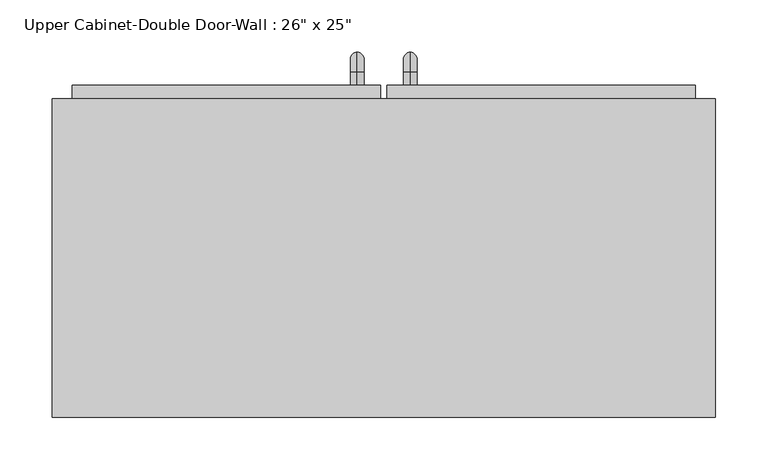
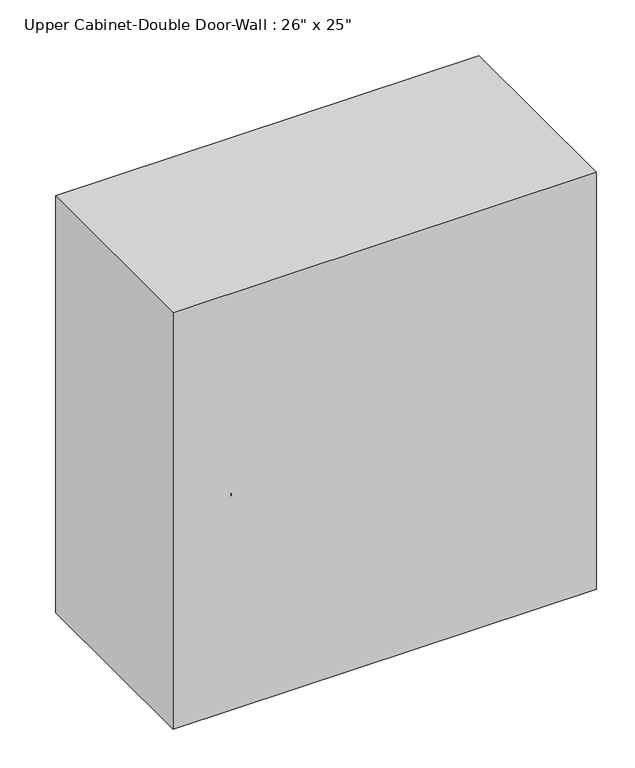
"""IFC4 building model written with IfcOpenShell, lengths in millimetres: furniture geometry."""

from ifc_helpers import new_model, si_unit, point, frame, origin, place, context, project, spatial, polyline, circle_curve, ellipse_curve, trimmed, outline, extrude, faceted_brep, source, transform, mapped, element, save
from ifc_brep_helpers import plane_surface, cylinder_surface, revolved_surface, advanced_brep


def furniture_fc65ddd6(model_context):
    return source(origin(), model_context, "Body", "SolidModel", [
        faceted_brep([(-287.7288372, 61.9125, 2133.6), (-287.7288372, 61.9125, 1473.2), (347.2711628, 61.9125, 1473.2), (347.2711628, 61.9125, 2133.6), (-287.7288372, 366.7125, 2133.6), (347.2711628, 366.7125, 2133.6), (347.2711628, 366.7125, 1473.2), (-287.7288372, 366.7125, 1473.2), (-268.6788372, 366.7125, 2114.55), (-268.6788372, 366.7125, 1492.25), (328.2211628, 366.7125, 1492.25), (328.2211628, 366.7125, 2114.55), (328.2211628, 80.9625, 2114.55), (-268.6788372, 80.9625, 2114.55), (328.2211628, 80.9625, 1492.25), (-268.6788372, 80.9625, 1492.25)], [[[0, 1, 2, 3]], [[4, 5, 6, 7], [8, 9, 10, 11]], [[1, 0, 4, 7]], [[2, 1, 7, 6]], [[3, 2, 6, 5]], [[0, 3, 5, 4]], [[8, 11, 12, 13]], [[11, 10, 14, 12]], [[10, 9, 15, 14]], [[9, 8, 13, 15]], [[13, 12, 14, 15]]]),
        advanced_brep(
        [(55.1711628, 379.4125, 1619.25), (55.1711628, 379.4125, 1631.95), (55.1711628, 392.1125, 1619.25), (55.1711628, 392.1125, 1631.95), (55.1711628, 411.1625, 1612.9), (55.1711628, 398.4625, 1612.9), (55.1711628, 398.4625, 1536.7), (55.1711628, 411.1625, 1536.7), (55.1711628, 392.1125, 1517.65), (55.1711628, 392.1125, 1530.35), (55.1711628, 379.4125, 1530.35), (55.1711628, 379.4125, 1517.65)],
        [
            (0, 1, circle_curve(frame((55.1711628, 379.4125, 1625.6), z_axis=(0.0, -1.0, 0.0), x_axis=(0.0, 0.0, -1.0)), 6.35)),
            (1, 0, circle_curve(frame((55.1711628, 379.4125, 1625.6), z_axis=(0.0, -1.0, 0.0), x_axis=(0.0, 0.0, -1.0)), 6.35)),
            (0, 2),
            (2, 3, circle_curve(frame((55.1711628, 392.1125, 1625.6), z_axis=(0.0, -1.0, 0.0), x_axis=(0.0, 0.0, -1.0)), 6.35)),
            (3, 1),
            (3, 2, circle_curve(frame((55.1711628, 392.1125, 1625.6), z_axis=(0.0, -1.0, 0.0), x_axis=(0.0, 0.0, -1.0)), 6.35)),
            (4, 3, circle_curve(frame((55.1711628, 392.1125, 1612.9), z_axis=(1.0, 0.0, 0.0), x_axis=(0.0, 0.0, 1.0)), 19.05)),
            (2, 5, circle_curve(frame((55.1711628, 392.1125, 1612.9), z_axis=(-1.0, 0.0, 0.0), x_axis=(0.0, 0.0, 1.0)), 6.35)),
            (5, 4, circle_curve(frame((55.1711628, 404.8125, 1612.9), z_axis=(0.0, 0.0, 1.0), x_axis=(0.0, -1.0, 0.0)), 6.35)),
            (4, 5, circle_curve(frame((55.1711628, 404.8125, 1612.9), z_axis=(0.0, 0.0, 1.0), x_axis=(0.0, -1.0, 0.0)), 6.35)),
            (5, 6),
            (6, 7, circle_curve(frame((55.1711628, 404.8125, 1536.7), z_axis=(0.0, 0.0, 1.0), x_axis=(0.0, -1.0, 0.0)), 6.35)),
            (7, 4),
            (7, 6, circle_curve(frame((55.1711628, 404.8125, 1536.7), z_axis=(0.0, 0.0, 1.0), x_axis=(0.0, -1.0, 0.0)), 6.35)),
            (8, 7, circle_curve(frame((55.1711628, 392.1125, 1536.7), z_axis=(1.0, 0.0, 0.0), x_axis=(0.0, 1.0, 0.0)), 19.05)),
            (6, 9, circle_curve(frame((55.1711628, 392.1125, 1536.7), z_axis=(-1.0, 0.0, 0.0), x_axis=(0.0, 1.0, 0.0)), 6.35)),
            (9, 8, circle_curve(frame((55.1711628, 392.1125, 1524.0), z_axis=(0.0, 1.0, 0.0), x_axis=(0.0, 0.0, 1.0)), 6.35)),
            (8, 9, circle_curve(frame((55.1711628, 392.1125, 1524.0), z_axis=(0.0, 1.0, 0.0), x_axis=(0.0, 0.0, 1.0)), 6.35)),
            (10, 11, circle_curve(frame((55.1711628, 379.4125, 1524.0), z_axis=(0.0, -1.0, 0.0), x_axis=(0.0, 0.0, 1.0)), 6.35)),
            (11, 10, circle_curve(frame((55.1711628, 379.4125, 1524.0), z_axis=(0.0, -1.0, 0.0), x_axis=(0.0, 0.0, 1.0)), 6.35)),
            (9, 10),
            (11, 8),
        ],
        [
            plane_surface(frame((48.8211628, 379.4125, 1625.6), z_axis=(0.0, -1.0, 0.0), x_axis=(0.0, 0.0, 1.0))),
            cylinder_surface(frame((55.1711628, 379.4125, 1625.6), z_axis=(0.0, -1.0, 0.0), x_axis=(0.0, 0.0, -1.0)), 6.35),
            revolved_surface(trimmed(ellipse_curve(frame((55.1711628, 392.1125, 1625.6), z_axis=(0.0, -1.0, 0.0), x_axis=(0.0, 0.0, -1.0)), 6.35, 6.35), [point((55.1711628, 392.1125, 1619.25))], [point((55.1711628, 392.1125, 1631.95))], True, "CARTESIAN"), (55.1711628, 392.1125, 1612.9), (-1.0, 0.0, 0.0)),
            revolved_surface(trimmed(ellipse_curve(frame((55.1711628, 392.1125, 1625.6), z_axis=(0.0, -1.0, 0.0), x_axis=(0.0, 0.0, -1.0)), 6.35, 6.35), [point((55.1711628, 392.1125, 1631.95))], [point((55.1711628, 392.1125, 1619.25))], True, "CARTESIAN"), (55.1711628, 392.1125, 1612.9), (-1.0, 0.0, 0.0)),
            cylinder_surface(frame((55.1711628, 404.8125, 1612.9), z_axis=(0.0, 0.0, 1.0), x_axis=(0.0, -1.0, 0.0)), 6.35),
            revolved_surface(trimmed(ellipse_curve(frame((55.1711628, 404.8125, 1536.7), z_axis=(0.0, 0.0, 1.0), x_axis=(0.0, -1.0, 0.0)), 6.35, 6.35), [point((55.1711628, 398.4625, 1536.7))], [point((55.1711628, 411.1625, 1536.7))], True, "CARTESIAN"), (55.1711628, 392.1125, 1536.7), (-1.0, 0.0, 0.0)),
            revolved_surface(trimmed(ellipse_curve(frame((55.1711628, 404.8125, 1536.7), z_axis=(0.0, 0.0, 1.0), x_axis=(0.0, -1.0, 0.0)), 6.35, 6.35), [point((55.1711628, 411.1625, 1536.7))], [point((55.1711628, 398.4625, 1536.7))], True, "CARTESIAN"), (55.1711628, 392.1125, 1536.7), (-1.0, 0.0, 0.0)),
            plane_surface(frame((48.8211628, 379.4125, 1524.0), z_axis=(0.0, -1.0, 0.0), x_axis=(0.0, 0.0, -1.0))),
            cylinder_surface(frame((55.1711628, 392.1125, 1524.0), z_axis=(0.0, 1.0, 0.0), x_axis=(0.0, 0.0, 1.0)), 6.35),
        ],
        [
            (0, [[1, 2]]),
            (1, [[-1, 3, 4, 5]]),
            (1, [[-2, -5, 6, -3]]),
            (2, [[7, -4, 8, 9]]),
            (3, [[-8, -6, -7, 10]]),
            (4, [[-9, 11, 12, 13]]),
            (4, [[-10, -13, 14, -11]]),
            (5, [[15, -12, 16, 17]]),
            (6, [[-16, -14, -15, 18]]),
            (7, [[19, 20]]),
            (8, [[-17, 21, -20, 22]]),
            (8, [[-18, -22, -19, -21]]),
        ],
    ),
        advanced_brep(
        [(4.3711628, 379.4125, 1619.25), (4.3711628, 379.4125, 1631.95), (4.3711628, 392.1125, 1619.25), (4.3711628, 392.1125, 1631.95), (4.3711628, 411.1625, 1612.9), (4.3711628, 398.4625, 1612.9), (4.3711628, 398.4625, 1536.7), (4.3711628, 411.1625, 1536.7), (4.3711628, 392.1125, 1517.65), (4.3711628, 392.1125, 1530.35), (4.3711628, 379.4125, 1530.35), (4.3711628, 379.4125, 1517.65)],
        [
            (0, 1, circle_curve(frame((4.3711628, 379.4125, 1625.6), z_axis=(0.0, -1.0, 0.0), x_axis=(0.0, 0.0, 1.0)), 6.35)),
            (1, 0, circle_curve(frame((4.3711628, 379.4125, 1625.6), z_axis=(0.0, -1.0, 0.0), x_axis=(0.0, 0.0, 1.0)), 6.35)),
            (0, 2),
            (2, 3, circle_curve(frame((4.3711628, 392.1125, 1625.6), z_axis=(0.0, -1.0, 0.0), x_axis=(0.0, 0.0, 1.0)), 6.35)),
            (3, 1),
            (3, 2, circle_curve(frame((4.3711628, 392.1125, 1625.6), z_axis=(0.0, -1.0, 0.0), x_axis=(0.0, 0.0, 1.0)), 6.35)),
            (4, 3, circle_curve(frame((4.3711628, 392.1125, 1612.9), z_axis=(1.0, 0.0, 0.0), x_axis=(0.0, 0.0, 1.0)), 19.05)),
            (2, 5, circle_curve(frame((4.3711628, 392.1125, 1612.9), z_axis=(-1.0, 0.0, 0.0), x_axis=(0.0, 0.0, 1.0)), 6.35)),
            (5, 4, circle_curve(frame((4.3711628, 404.8125, 1612.9), z_axis=(0.0, 0.0, 1.0), x_axis=(0.0, 1.0, 0.0)), 6.35)),
            (4, 5, circle_curve(frame((4.3711628, 404.8125, 1612.9), z_axis=(0.0, 0.0, 1.0), x_axis=(0.0, 1.0, 0.0)), 6.35)),
            (5, 6),
            (6, 7, circle_curve(frame((4.3711628, 404.8125, 1536.7), z_axis=(0.0, 0.0, 1.0), x_axis=(0.0, 1.0, 0.0)), 6.35)),
            (7, 4),
            (7, 6, circle_curve(frame((4.3711628, 404.8125, 1536.7), z_axis=(0.0, 0.0, 1.0), x_axis=(0.0, 1.0, 0.0)), 6.35)),
            (8, 7, circle_curve(frame((4.3711628, 392.1125, 1536.7), z_axis=(1.0, 0.0, 0.0), x_axis=(0.0, 1.0, 0.0)), 19.05)),
            (6, 9, circle_curve(frame((4.3711628, 392.1125, 1536.7), z_axis=(-1.0, 0.0, 0.0), x_axis=(0.0, 1.0, 0.0)), 6.35)),
            (9, 8, circle_curve(frame((4.3711628, 392.1125, 1524.0), z_axis=(0.0, 1.0, 0.0), x_axis=(0.0, 0.0, -1.0)), 6.35)),
            (8, 9, circle_curve(frame((4.3711628, 392.1125, 1524.0), z_axis=(0.0, 1.0, 0.0), x_axis=(0.0, 0.0, -1.0)), 6.35)),
            (10, 11, circle_curve(frame((4.3711628, 379.4125, 1524.0), z_axis=(0.0, -1.0, 0.0), x_axis=(0.0, 0.0, -1.0)), 6.35)),
            (11, 10, circle_curve(frame((4.3711628, 379.4125, 1524.0), z_axis=(0.0, -1.0, 0.0), x_axis=(0.0, 0.0, -1.0)), 6.35)),
            (9, 10),
            (11, 8),
        ],
        [
            plane_surface(frame((-1.9788372, 379.4125, 1625.6), z_axis=(0.0, -1.0, 0.0), x_axis=(0.0, 0.0, 1.0))),
            cylinder_surface(frame((4.3711628, 379.4125, 1625.6), z_axis=(0.0, -1.0, 0.0), x_axis=(0.0, 0.0, 1.0)), 6.35),
            revolved_surface(trimmed(ellipse_curve(frame((4.3711628, 392.1125, 1625.6), z_axis=(0.0, -1.0, 0.0), x_axis=(0.0, 0.0, 1.0)), 6.35, 6.35), [point((4.3711628, 392.1125, 1619.25))], [point((4.3711628, 392.1125, 1631.95))], True, "CARTESIAN"), (4.3711628, 392.1125, 1612.9), (-1.0, 0.0, 0.0)),
            revolved_surface(trimmed(ellipse_curve(frame((4.3711628, 392.1125, 1625.6), z_axis=(0.0, -1.0, 0.0), x_axis=(0.0, 0.0, 1.0)), 6.35, 6.35), [point((4.3711628, 392.1125, 1631.95))], [point((4.3711628, 392.1125, 1619.25))], True, "CARTESIAN"), (4.3711628, 392.1125, 1612.9), (-1.0, 0.0, 0.0)),
            cylinder_surface(frame((4.3711628, 404.8125, 1612.9), z_axis=(0.0, 0.0, 1.0), x_axis=(0.0, 1.0, 0.0)), 6.35),
            revolved_surface(trimmed(ellipse_curve(frame((4.3711628, 404.8125, 1536.7), z_axis=(0.0, 0.0, 1.0), x_axis=(0.0, 1.0, 0.0)), 6.35, 6.35), [point((4.3711628, 398.4625, 1536.7))], [point((4.3711628, 411.1625, 1536.7))], True, "CARTESIAN"), (4.3711628, 392.1125, 1536.7), (-1.0, 0.0, 0.0)),
            revolved_surface(trimmed(ellipse_curve(frame((4.3711628, 404.8125, 1536.7), z_axis=(0.0, 0.0, 1.0), x_axis=(0.0, 1.0, 0.0)), 6.35, 6.35), [point((4.3711628, 411.1625, 1536.7))], [point((4.3711628, 398.4625, 1536.7))], True, "CARTESIAN"), (4.3711628, 392.1125, 1536.7), (-1.0, 0.0, 0.0)),
            plane_surface(frame((-1.9788372, 379.4125, 1524.0), z_axis=(0.0, -1.0, 0.0), x_axis=(0.0, 0.0, -1.0))),
            cylinder_surface(frame((4.3711628, 392.1125, 1524.0), z_axis=(0.0, 1.0, 0.0), x_axis=(0.0, 0.0, -1.0)), 6.35),
        ],
        [
            (0, [[1, 2]]),
            (1, [[-1, 3, 4, 5]]),
            (1, [[-2, -5, 6, -3]]),
            (2, [[7, -4, 8, 9]]),
            (3, [[-8, -6, -7, 10]]),
            (4, [[-9, 11, 12, 13]]),
            (4, [[-10, -13, 14, -11]]),
            (5, [[15, -12, 16, 17]]),
            (6, [[-16, -14, -15, 18]]),
            (7, [[19, 20]]),
            (8, [[-17, 21, -20, 22]]),
            (8, [[-18, -22, -19, -21]]),
        ],
    ),
        extrude(outline(polyline([(32.9461628, 379.4125), (328.2211628, 379.4125), (328.2211628, 347.6625), (32.9461628, 347.6625), (32.9461628, 379.4125)])), frame((0.0, 0.0, 1492.25), z_axis=(0.0, 0.0, 1.0), x_axis=(1.0, 0.0, 0.0)), (0.0, 0.0, 1.0), 622.3),
        extrude(outline(polyline([(-268.6788372, 379.4125), (26.5961628, 379.4125), (26.5961628, 347.6625), (-268.6788372, 347.6625), (-268.6788372, 379.4125)])), frame((0.0, 0.0, 1492.25), z_axis=(0.0, 0.0, 1.0), x_axis=(1.0, 0.0, 0.0)), (0.0, 0.0, 1.0), 622.3),
    ])


if __name__ == "__main__":
    model = new_model("IFC4")
    model_context = context("Model", 3, world=origin())
    ifc_project = project(units=[si_unit("LENGTHUNIT", "METRE", prefix="MILLI")], contexts=[model_context])
    site = spatial("IfcSite", under=ifc_project)
    building = spatial("IfcBuilding", under=site)
    placement = place(None, origin())
    furniture_shape = furniture_fc65ddd6(model_context)
    element("IfcFurniture", 1, ObjectType="Upper Cabinet-Double Door-Wall : 26\" x 25\"", at=placement, inside=building, context=model_context, shape_type="MappedRepresentation", body=[
        mapped(furniture_shape, transform((0.0, 0.0, 0.0), x_axis=(1.0, 0.0, 0.0), y_axis=(0.0, 1.0, 0.0), z_axis=(0.0, 0.0, 1.0))),
    ])
    save(model, "model.ifc")
